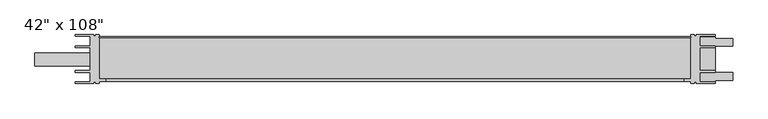
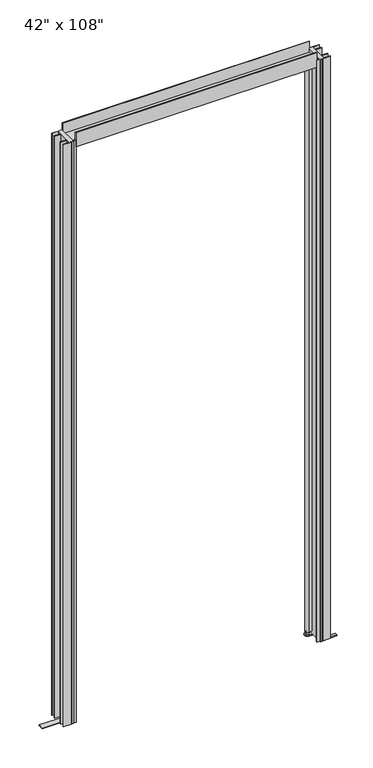
"""IFC4 building model written with IfcOpenShell, lengths in millimetres: furniture geometry."""

from ifc_helpers import new_model, si_unit, point, frame, frame_2d, origin, origin_with_axes, place, context, project, spatial, polyline, circle_curve, trimmed, segment, composite_curve, outline, extrude, source, transform, mapped, element, save


def furniture_8c4999bb(model_context):
    return source(origin(), model_context, "Body", "SweptSolid", [
        extrude(outline(polyline([(481.9042271, 37.1322797), (454.0718088, 37.1322797), (454.0718088, 19.7322791), (481.9042271, 19.7322791), (481.9042271, 16.432279), (454.0718088, 16.432279), (454.0718088, -25.4677223), (481.9042271, -25.4677223), (481.9042271, -28.7677224), (454.0718088, -28.7677224), (454.0718088, -46.167723), (481.9042271, -46.167723), (481.9042271, -48.9677216), (447.8322026, -48.9677216), (447.8322026, -46.4654448), (443.8044449, -46.4654448), (443.8044449, -48.9677216), (437.4542271, -48.9677216), (437.4542271, -45.422332), (424.7542271, -45.422332), (424.7542271, -40.5267189), (437.4542271, -40.5267189), (437.4542271, 39.9322784), (443.8044449, 39.9322784), (443.8044449, 37.4300016), (447.8322026, 37.4300016), (447.8322026, 39.9322784), (481.9042271, 39.9322784), (481.9042271, 37.1322797)])), frame((0.0, 0.0, 3.2003621), z_axis=(0.0, 0.0, 1.0), x_axis=(1.0, 0.0, 0.0)), (0.0, 0.0, 1.0), 2676.4996379),
        extrude(outline(polyline([(-681.7332729, 37.1322797), (-681.7332729, 39.9322784), (-647.6328776, 39.9322784), (-647.6328776, 37.4197133), (-643.6332729, 37.4197133), (-643.6332729, 39.9322784), (-637.2832729, 39.9322784), (-637.2832729, -40.5267189), (-624.5832729, -40.5267189), (-624.5832729, -45.422332), (-637.2832729, -45.422332), (-637.2832729, -48.9677216), (-643.6332729, -48.9677216), (-643.6332729, -46.4551566), (-647.6328776, -46.4551566), (-647.6328776, -48.9677216), (-681.7332729, -48.9677216), (-681.7332729, -46.167723), (-653.9008547, -46.167723), (-653.9008547, -28.7677224), (-681.7332729, -28.7677224), (-681.7332729, -25.4677223), (-653.9008547, -25.4677223), (-653.9008547, 16.432279), (-681.7332729, 16.432279), (-681.7332729, 19.7322791), (-653.9008547, 19.7322791), (-653.9008547, 37.1322797), (-681.7332729, 37.1322797)])), frame((0.0, 0.0, 3.2004), z_axis=(0.0, 0.0, 1.0), x_axis=(1.0, 0.0, 0.0)), (0.0, 0.0, 1.0), 2676.4996),
        extrude(outline(composite_curve([segment(polyline([(437.4542271, 30.2572875), (437.4542271, 11.2072875), (421.5792271, 11.2072875)]), True, "CONTINUOUS"), segment(trimmed(circle_curve(frame_2d((421.5792271, 20.7322875)), 9.525), [point((421.5792271, 11.2072875))], [point((421.5792271, 30.2572875))], False, "CARTESIAN"), True, "CONTINUOUS"), segment(polyline([(421.5792271, 30.2572875), (437.4542271, 30.2572875)]), True, "CONTINUOUS")], self_intersect=False)), frame((0.0, 0.0, 15.875), z_axis=(0.0, 0.0, 1.0), x_axis=(1.0, 0.0, 0.0)), (0.0, 0.0, 1.0), 2638.425),
        extrude(outline(composite_curve([segment(trimmed(circle_curve(frame_2d((421.5792271, 20.7322875)), 6.35), [point((415.2292271, 20.7322875))], [point((427.9292271, 20.7322875))], False, "CARTESIAN"), True, "CONTINUOUS"), segment(trimmed(circle_curve(frame_2d((421.5792271, 20.7322875)), 6.35), [point((427.9292271, 20.7322875))], [point((415.2292271, 20.7322875))], False, "CARTESIAN"), True, "CONTINUOUS")], self_intersect=False)), frame((0.0, 0.0, 2654.3), z_axis=(0.0, 0.0, 1.0), x_axis=(1.0, 0.0, 0.0)), (0.0, 0.0, 1.0), 6.35),
        extrude(outline(composite_curve([segment(trimmed(circle_curve(frame_2d((421.5792271, 20.7322875)), 6.35), [point((415.2292271, 20.7322875))], [point((427.9292271, 20.7322875))], False, "CARTESIAN"), True, "CONTINUOUS"), segment(trimmed(circle_curve(frame_2d((421.5792271, 20.7322875)), 6.35), [point((427.9292271, 20.7322875))], [point((415.2292271, 20.7322875))], False, "CARTESIAN"), True, "CONTINUOUS")], self_intersect=False)), frame((0.0, 0.0, 3.2004), z_axis=(0.0, 0.0, 1.0), x_axis=(1.0, 0.0, 0.0)), (0.0, 0.0, 1.0), 12.6746),
        extrude(outline(polyline([(-40.0359751, 2660.65), (-40.0359751, 2663.8751907), (34.4141317, 2663.8751907), (34.4141317, 2712.7974571), (36.603763, 2712.7974571), (36.603763, 2660.65), (-40.0359751, 2660.65)])), frame((-637.2832729, 0.0, 0.0), z_axis=(1.0, 0.0, 0.0), x_axis=(0.0, 1.0, 0.0)), (0.0, 0.0, 1.0), 1074.7375),
        extrude(outline(polyline([(424.7542271, -40.5267189), (424.7542271, -45.4859332), (-624.5832729, -45.4859332), (-624.5832729, -40.5267189), (424.7542271, -40.5267189)])), frame((0.0, 0.0, 2647.994021), z_axis=(0.0, 0.0, 1.0), x_axis=(1.0, 0.0, 0.0)), (0.0, 0.0, 1.0), 64.7060965),
        extrude(outline(polyline([(-754.5995229, 7.3885284), (-637.9182729, 7.3885284), (-637.9182729, -16.4239716), (-754.5995229, -16.4239716), (-754.5995229, 7.3885284)])), origin_with_axes(), (0.0, 0.0, 1.0), 3.2003621),
        extrude(outline(composite_curve([segment(polyline([(513.6542271, 33.4322875), (513.6542271, 19.43227), (481.9042271, 19.43227), (481.9042271, -28.4677132), (513.6542271, -28.4677132), (513.6542271, -42.4677308), (481.9042271, -42.4677308), (481.9042271, -44.9677235), (441.4542009, -44.9677235), (441.4542009, 8.0322875), (421.3801586, 8.0322875)]), True, "CONTINUOUS"), segment(trimmed(circle_curve(frame_2d((421.3801586, 20.7322875)), 12.7), [point((421.3801586, 8.0322875))], [point((421.3801586, 33.4322875))], False, "CARTESIAN"), True, "CONTINUOUS"), segment(polyline([(421.3801586, 33.4322875), (441.4542009, 33.4322875), (441.4542009, 35.9322803), (481.9042271, 35.9322803), (481.9042271, 33.4322875), (513.6542271, 33.4322875)]), True, "CONTINUOUS")], self_intersect=False)), origin_with_axes(), (0.0, 0.0, 1.0), 3.2003621),
    ])


if __name__ == "__main__":
    model = new_model("IFC4")
    model_context = context("Model", 3, world=origin())
    ifc_project = project(units=[si_unit("LENGTHUNIT", "METRE", prefix="MILLI")], contexts=[model_context])
    site = spatial("IfcSite", under=ifc_project)
    building = spatial("IfcBuilding", under=site)
    placement = place(None, origin())
    furniture_shape = furniture_8c4999bb(model_context)
    element("IfcFurniture", 1, ObjectType="42\" x 108\"", at=placement, inside=building, context=model_context, shape_type="MappedRepresentation", body=[
        mapped(furniture_shape, transform((0.0, 0.0, 0.0), x_axis=(1.0, 0.0, 0.0), y_axis=(0.0, 1.0, 0.0), z_axis=(0.0, 0.0, 1.0))),
    ])
    save(model, "model.ifc")
